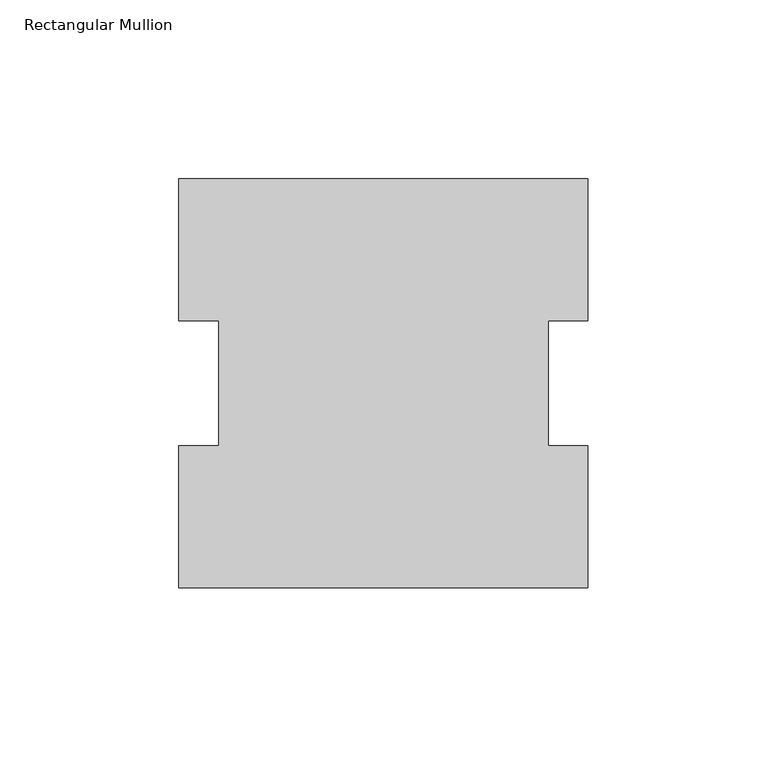
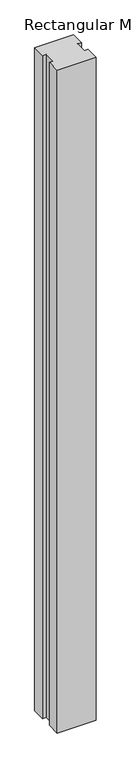
"""IFC4 building model written with IfcOpenShell, lengths in millimetres: member geometry, Rectangular Mullion."""

from ifc_helpers import new_model, si_unit, frame, origin, place, context, project, spatial, polyline, outline, extrude, source, transform, mapped, element, save


def rectangular_mullion_402468a9(model_context):
    return source(origin(), model_context, "Body", "SweptSolid", [
        extrude(outline(polyline([(-57.15, 114.271425), (57.15, 114.271425), (57.15, 74.596625), (46.0375, 74.596625), (46.0375, 39.646225), (57.15, 39.646225), (57.15, -0.028575), (-57.15, -0.028575), (-57.15, 39.646225), (-46.0375, 39.646225), (-46.0375, 74.596625), (-57.15, 74.596625), (-57.15, 114.271425)])), frame((0.0, 0.0, -2060.575), z_axis=(0.0, 0.0, 1.0), x_axis=(1.0, 0.0, 0.0)), (0.0, 0.0, 1.0), 2060.575),
    ])


if __name__ == "__main__":
    model = new_model("IFC4")
    model_context = context("Model", 3, world=origin())
    ifc_project = project(units=[si_unit("LENGTHUNIT", "METRE", prefix="MILLI")], contexts=[model_context])
    site = spatial("IfcSite", under=ifc_project)
    building = spatial("IfcBuilding", under=site)
    placement = place(None, origin())
    rectangular_mullion_shape = rectangular_mullion_402468a9(model_context)
    element("IfcMember", 1, ObjectType="Rectangular Mullion", at=placement, inside=building, context=model_context, shape_type="MappedRepresentation", body=[
        mapped(rectangular_mullion_shape, transform((0.0, 0.0, 0.0), x_axis=(1.0, 0.0, 0.0), y_axis=(0.0, 1.0, 0.0), z_axis=(0.0, 0.0, 1.0))),
    ])
    save(model, "model.ifc")
